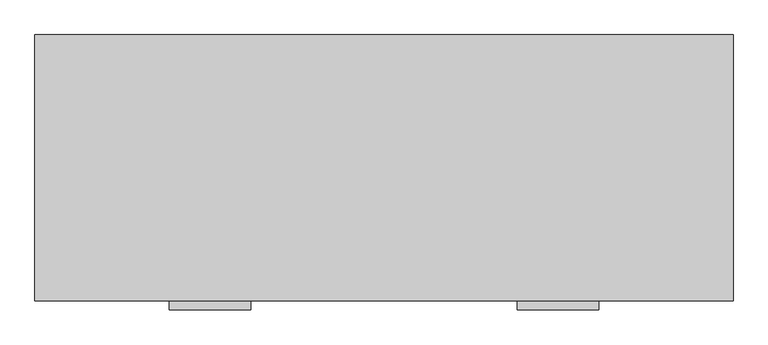
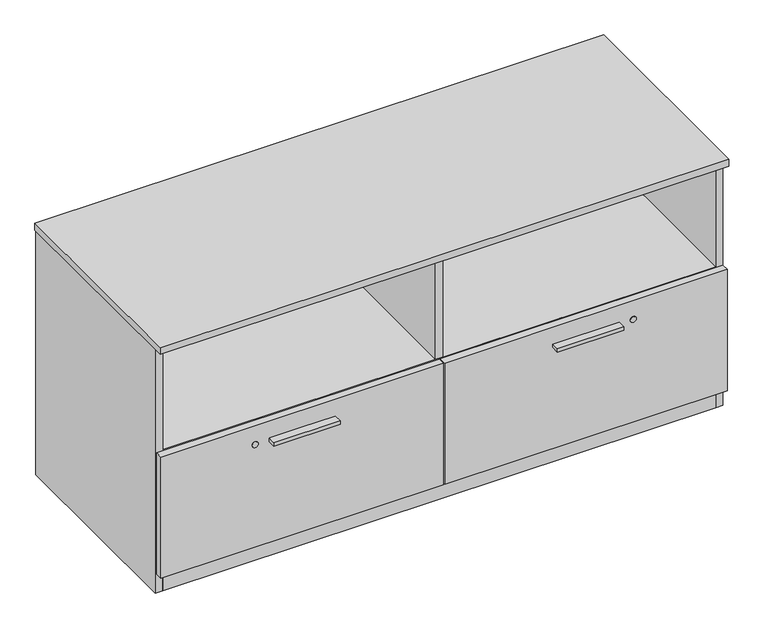
"""IFC4 building model written with IfcOpenShell, lengths in millimetres: furniture geometry."""

from ifc_helpers import new_model, si_unit, point, frame, frame_2d, origin, origin_with_axes, place, context, project, spatial, polyline, circle_curve, trimmed, segment, composite_curve, outline, extrude, source, transform, mapped, element, save


def furniture_1ff20f0e(model_context):
    return source(origin(), model_context, "Body", "SweptSolid", [
        extrude(outline(composite_curve([segment(trimmed(circle_curve(frame_2d((762.0635, -298.6543713)), 4.445), [point((766.5085, -298.6543713))], [point((757.6185, -298.6543713))], False, "CARTESIAN"), True, "CONTINUOUS"), segment(trimmed(circle_curve(frame_2d((762.0635, -298.6543713)), 4.445), [point((757.6185, -298.6543713))], [point((766.5085, -298.6543713))], False, "CARTESIAN"), True, "CONTINUOUS")], self_intersect=False)), frame((0.0, 0.0, 7.112), z_axis=(0.0, 0.0, 1.0), x_axis=(1.0, 0.0, 0.0)), (0.0, 0.0, 1.0), 2.032),
        extrude(outline(polyline([(767.7507188, -288.755701), (773.4657188, -298.6543713), (767.7507188, -308.5530417), (756.3207188, -308.5530417), (750.6057188, -298.6543713), (756.3207188, -288.755701), (767.7507188, -288.755701)])), origin_with_axes(), (0.0, 0.0, 1.0), 9.144),
        extrude(outline(composite_curve([segment(trimmed(circle_curve(frame_2d((723.8365, -327.2293713)), 3.175), [point((723.8365, -330.4043713))], [point((720.6615, -327.2293713))], False, "CARTESIAN"), True, "CONTINUOUS"), segment(polyline([(720.6615, -327.2293713), (720.6615, -270.0793713)]), True, "CONTINUOUS"), segment(trimmed(circle_curve(frame_2d((723.8365, -270.0793713)), 3.175), [point((720.6615, -270.0793713))], [point((723.8365, -266.9043713))], False, "CARTESIAN"), True, "CONTINUOUS"), segment(polyline([(723.8365, -266.9043713), (800.2905, -266.9043713)]), True, "CONTINUOUS"), segment(trimmed(circle_curve(frame_2d((800.2905, -270.0793713)), 3.175), [point((800.2905, -266.9043713))], [point((803.4655, -270.0793713))], False, "CARTESIAN"), True, "CONTINUOUS"), segment(polyline([(803.4655, -270.0793713), (803.4655, -327.2293713)]), True, "CONTINUOUS"), segment(trimmed(circle_curve(frame_2d((800.2905, -327.2293713)), 3.175), [point((803.4655, -327.2293713))], [point((800.2905, -330.4043713))], False, "CARTESIAN"), True, "CONTINUOUS"), segment(polyline([(800.2905, -330.4043713), (723.8365, -330.4043713)]), True, "CONTINUOUS")], self_intersect=False)), frame((0.0, 0.0, 58.3692), z_axis=(0.0, 0.0, 1.0), x_axis=(1.0, 0.0, 0.0)), (0.0, 0.0, 1.0), 1.89738),
        extrude(outline(composite_curve([segment(polyline([(773.4935, -311.3543713), (750.6335, -311.3543713)]), True, "CONTINUOUS"), segment(trimmed(circle_curve(frame_2d((750.6335, -310.0843713)), 1.27), [point((750.6335, -311.3543713))], [point((749.3635, -310.0843713))], False, "CARTESIAN"), True, "CONTINUOUS"), segment(polyline([(749.3635, -310.0843713), (749.3635, -287.2243713)]), True, "CONTINUOUS"), segment(trimmed(circle_curve(frame_2d((750.6335, -287.2243713)), 1.27), [point((749.3635, -287.2243713))], [point((750.6335, -285.9543713))], False, "CARTESIAN"), True, "CONTINUOUS"), segment(polyline([(750.6335, -285.9543713), (773.4935, -285.9543713)]), True, "CONTINUOUS"), segment(trimmed(circle_curve(frame_2d((773.4935, -287.2243713)), 1.27), [point((773.4935, -285.9543713))], [point((774.7635, -287.2243713))], False, "CARTESIAN"), True, "CONTINUOUS"), segment(polyline([(774.7635, -287.2243713), (774.7635, -310.0843713)]), True, "CONTINUOUS"), segment(trimmed(circle_curve(frame_2d((773.4935, -310.0843713)), 1.27), [point((774.7635, -310.0843713))], [point((773.4935, -311.3543713))], False, "CARTESIAN"), True, "CONTINUOUS")], self_intersect=False)), frame((0.0, 0.0, 9.144), z_axis=(0.0, 0.0, 1.0), x_axis=(1.0, 0.0, 0.0)), (0.0, 0.0, 1.0), 49.2252),
        extrude(outline(polyline([(1231.16975, -608.9915713), (1053.36975, -608.9915713), (1053.36975, -586.7665713), (1231.16975, -586.7665713), (1231.16975, -608.9915713)])), frame((0.0, 0.0, 346.5880787), z_axis=(0.0, 0.0, 1.0), x_axis=(1.0, 0.0, 0.0)), (0.0, 0.0, 1.0), 9.525),
        extrude(outline(polyline([(470.75725, -608.9915713), (292.95725, -608.9915713), (292.95725, -586.7665713), (470.75725, -586.7665713), (470.75725, -608.9915713)])), frame((0.0, 0.0, 346.5880787), z_axis=(0.0, 0.0, 1.0), x_axis=(1.0, 0.0, 0.0)), (0.0, 0.0, 1.0), 9.525),
        extrude(outline(polyline([(1461.7962022, -506.8113164), (1477.74406, -497.6038164), (1493.6919179, -506.8113164), (1493.6919179, -525.2263164), (1477.74406, -534.4338164), (1461.7962022, -525.2263164), (1461.7962022, -506.8113164)])), origin_with_axes(), (0.0, 0.0, 1.0), 9.144),
        extrude(outline(polyline([(1461.7962022, -47.1816713), (1477.74406, -37.9741713), (1493.6919179, -47.1816713), (1493.6919179, -65.5966713), (1477.74406, -74.8041713), (1461.7962022, -65.5966713), (1461.7962022, -47.1816713)])), origin_with_axes(), (0.0, 0.0, 1.0), 9.144),
        extrude(outline(polyline([(30.4350822, -506.8113164), (46.38294, -497.6038164), (62.3307978, -506.8113164), (62.3307978, -525.2263164), (46.38294, -534.4338164), (30.4350822, -525.2263164), (30.4350822, -506.8113164)])), origin_with_axes(), (0.0, 0.0, 1.0), 9.144),
        extrude(outline(polyline([(30.4350822, -47.1816713), (46.38294, -37.9741713), (62.3307978, -47.1816713), (62.3307978, -65.5966713), (46.38294, -74.8041713), (30.4350822, -65.5966713), (30.4350822, -47.1816713)])), origin_with_axes(), (0.0, 0.0, 1.0), 9.144),
        extrude(outline(polyline([(1524.0635, -589.1668713), (0.0635, -589.1668713), (0.0635, -8.1418713), (1524.0635, -8.1418713), (1524.0635, -589.1668713)])), frame((0.0, 0.0, 696.849), z_axis=(0.0, 0.0, 1.0), x_axis=(1.0, 0.0, 0.0)), (0.0, 0.0, 1.0), 19.304),
        extrude(outline(polyline([(1503.2354996, -30.4938704), (1503.2354996, -562.7635728), (20.8915005, -562.7635728), (20.8915005, -30.4938704), (1503.2354996, -30.4938704)])), frame((0.0, 0.0, 677.545), z_axis=(0.0, 0.0, 1.0), x_axis=(1.0, 0.0, 0.0)), (0.0, 0.0, 1.0), 19.304),
        extrude(outline(polyline([(763.5875, -567.4625713), (1520.952, -567.4625713), (1520.952, -586.7665713), (763.5875, -586.7665713), (763.5875, -567.4625713)])), frame((0.0, 0.0, 60.26658), z_axis=(0.0, 0.0, 1.0), x_axis=(1.0, 0.0, 0.0)), (0.0, 0.0, 1.0), 343.4079987),
        extrude(outline(polyline([(3.175, -567.4625713), (760.5395, -567.4625713), (760.5395, -586.7665713), (3.175, -586.7665713), (3.175, -567.4625713)])), frame((0.0, 0.0, 60.26658), z_axis=(0.0, 0.0, 1.0), x_axis=(1.0, 0.0, 0.0)), (0.0, 0.0, 1.0), 343.4079987),
        extrude(outline(polyline([(1503.2354996, -30.4938704), (1503.2354996, -563.9065626), (20.8915, -563.9065626), (20.8915, -30.4938704), (1503.2354996, -30.4938704)])), frame((0.0, 0.0, 384.3705787), z_axis=(0.0, 0.0, 1.0), x_axis=(1.0, 0.0, 0.0)), (0.0, 0.0, 1.0), 19.304),
        extrude(outline(polyline([(1503.2354996, -11.1898712), (1503.2354996, -30.4938704), (20.8915005, -30.4938704), (20.8915005, -11.1898712), (1503.2354996, -11.1898712)])), frame((0.0, 0.0, 4.699), z_axis=(0.0, 0.0, 1.0), x_axis=(1.0, 0.0, 0.0)), (0.0, 0.0, 1.0), 692.15),
        extrude(outline(polyline([(752.4114974, -30.4938704), (771.7154974, -30.4938704), (771.7154974, -563.9065626), (752.4114974, -563.9065626), (752.4114974, -30.4938704)])), frame((0.0, 0.0, 403.6745787), z_axis=(0.0, 0.0, 1.0), x_axis=(1.0, 0.0, 0.0)), (0.0, 0.0, 1.0), 273.8704213),
        extrude(outline(polyline([(762.0635, -30.4938704), (781.3675, -30.4938704), (781.3675, -563.9065626), (762.0635, -563.9065626), (762.0635, -30.4938704)])), frame((0.0, 0.0, 79.57058), z_axis=(0.0, 0.0, 1.0), x_axis=(1.0, 0.0, 0.0)), (0.0, 0.0, 1.0), 304.7999987),
        extrude(outline(polyline([(1503.2354996, -564.2875713), (20.8915005, -564.2875713), (20.8915005, -544.9835713), (1503.2354996, -544.9835713), (1503.2354996, -564.2875713)])), frame((0.0, 0.0, 4.699), z_axis=(0.0, 0.0, 1.0), x_axis=(1.0, 0.0, 0.0)), (0.0, 0.0, 1.0), 55.56758),
        extrude(outline(polyline([(762.0635, -30.4938704), (762.0635, -563.9065626), (742.7595, -563.9065626), (742.7595, -30.4938704), (762.0635, -30.4938704)])), frame((0.0, 0.0, 79.57058), z_axis=(0.0, 0.0, 1.0), x_axis=(1.0, 0.0, 0.0)), (0.0, 0.0, 1.0), 304.7999987),
        extrude(outline(polyline([(1503.2354996, -30.4938704), (1503.2354996, -563.9065626), (20.8915005, -563.9065626), (20.8915005, -30.4938704), (1503.2354996, -30.4938704)])), frame((0.0, 0.0, 60.26658), z_axis=(0.0, 0.0, 1.0), x_axis=(1.0, 0.0, 0.0)), (0.0, 0.0, 1.0), 19.304),
        extrude(outline(polyline([(20.8915005, -9.6658713), (20.8915005, -564.2875713), (1.5875, -564.2875713), (1.5875, -9.6658713), (20.8915005, -9.6658713)])), frame((0.0, 0.0, 4.699), z_axis=(0.0, 0.0, 1.0), x_axis=(1.0, 0.0, 0.0)), (0.0, 0.0, 1.0), 692.15),
        extrude(outline(polyline([(1503.2354996, -9.6658713), (1522.5395, -9.6658713), (1522.5395, -564.2875713), (1503.2354996, -564.2875713), (1503.2354996, -9.6658713)])), frame((0.0, 0.0, 4.699), z_axis=(0.0, 0.0, 1.0), x_axis=(1.0, 0.0, 0.0)), (0.0, 0.0, 1.0), 692.15),
        extrude(outline(composite_curve([segment(trimmed(circle_curve(frame_2d((351.3505787, 1268.50775)), 8.001), [point((351.3505787, 1260.50675))], [point((351.3505787, 1276.50875))], False, "CARTESIAN"), True, "CONTINUOUS"), segment(trimmed(circle_curve(frame_2d((351.3505787, 1268.50775)), 8.001), [point((351.3505787, 1276.50875))], [point((351.3505787, 1260.50675))], False, "CARTESIAN"), True, "CONTINUOUS")], self_intersect=False)), frame((0.0, -588.3540713, 0.0), z_axis=(0.0, 1.0, 0.0), x_axis=(0.0, 0.0, 1.0)), (0.0, 0.0, 1.0), 1.5875),
        extrude(outline(composite_curve([segment(trimmed(circle_curve(frame_2d((351.3505787, 255.61925)), 8.001), [point((351.3505787, 247.61825))], [point((351.3505787, 263.62025))], False, "CARTESIAN"), True, "CONTINUOUS"), segment(trimmed(circle_curve(frame_2d((351.3505787, 255.61925)), 8.001), [point((351.3505787, 263.62025))], [point((351.3505787, 247.61825))], False, "CARTESIAN"), True, "CONTINUOUS")], self_intersect=False)), frame((0.0, -588.3540713, 0.0), z_axis=(0.0, 1.0, 0.0), x_axis=(0.0, 0.0, 1.0)), (0.0, 0.0, 1.0), 1.5875),
    ])


if __name__ == "__main__":
    model = new_model("IFC4")
    model_context = context("Model", 3, world=origin())
    ifc_project = project(units=[si_unit("LENGTHUNIT", "METRE", prefix="MILLI")], contexts=[model_context])
    site = spatial("IfcSite", under=ifc_project)
    building = spatial("IfcBuilding", under=site)
    placement = place(None, origin())
    furniture_shape = furniture_1ff20f0e(model_context)
    element("IfcFurniture", 1, at=placement, inside=building, context=model_context, shape_type="MappedRepresentation", body=[
        mapped(furniture_shape, transform((0.0, 0.0, 0.0), x_axis=(1.0, 0.0, 0.0), y_axis=(0.0, 1.0, 0.0), z_axis=(0.0, 0.0, 1.0))),
    ])
    save(model, "model.ifc")
